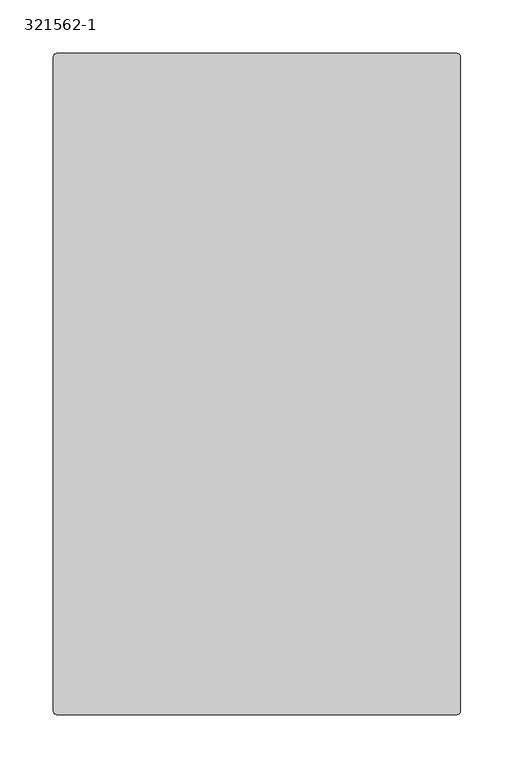
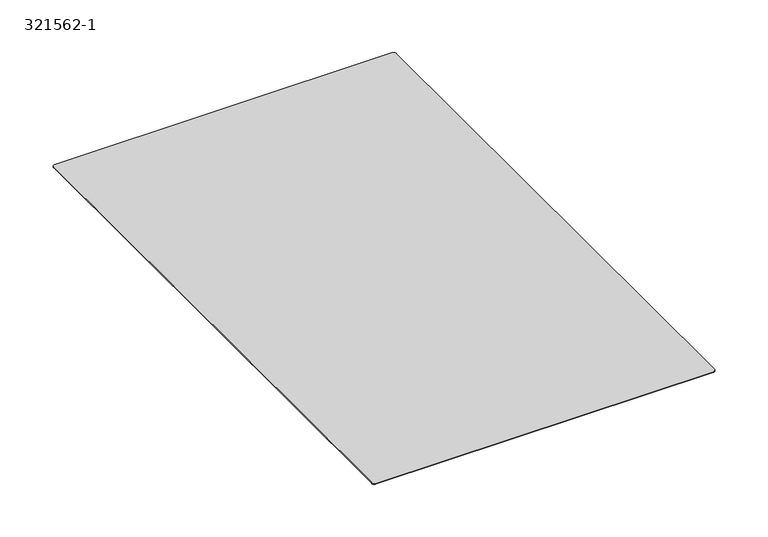
"""IFC4 building model written with IfcOpenShell, lengths in millimetres: proxy geometry, 321562-1."""

from ifc_helpers import new_model, si_unit, point, frame_2d, origin, origin_with_axes, place, context, project, spatial, polyline, circle_curve, trimmed, segment, composite_curve, outline, extrude, source, transform, mapped, element, save


def proxy_321562_1_977be563(model_context):
    return source(origin(), model_context, "Body", "SweptSolid", [
        extrude(outline(composite_curve([segment(polyline([(-187.325, 309.118), (187.325, 309.118)]), True, "CONTINUOUS"), segment(trimmed(circle_curve(frame_2d((187.325, 305.943)), 3.175), [point((187.325, 309.118))], [point((190.5, 305.943))], False, "CARTESIAN"), True, "CONTINUOUS"), segment(polyline([(190.5, 305.943), (190.5, -305.943)]), True, "CONTINUOUS"), segment(trimmed(circle_curve(frame_2d((187.325, -305.943)), 3.175), [point((190.5, -305.943))], [point((187.325, -309.118))], False, "CARTESIAN"), True, "CONTINUOUS"), segment(polyline([(187.325, -309.118), (-187.325, -309.118)]), True, "CONTINUOUS"), segment(trimmed(circle_curve(frame_2d((-187.325, -305.943)), 3.175), [point((-187.325, -309.118))], [point((-190.5, -305.943))], False, "CARTESIAN"), True, "CONTINUOUS"), segment(polyline([(-190.5, -305.943), (-190.5, 305.943)]), True, "CONTINUOUS"), segment(trimmed(circle_curve(frame_2d((-187.325, 305.943)), 3.175), [point((-190.5, 305.943))], [point((-187.325, 309.118))], False, "CARTESIAN"), True, "CONTINUOUS")], self_intersect=False)), origin_with_axes(), (0.0, 0.0, 1.0), 0.91186),
    ])


if __name__ == "__main__":
    model = new_model("IFC4")
    model_context = context("Model", 3, world=origin())
    ifc_project = project(units=[si_unit("LENGTHUNIT", "METRE", prefix="MILLI")], contexts=[model_context])
    site = spatial("IfcSite", under=ifc_project)
    building = spatial("IfcBuilding", under=site)
    placement = place(None, origin())
    proxy_321562_1_shape = proxy_321562_1_977be563(model_context)
    element("IfcBuildingElementProxy", 1, Name="321562-1", ObjectType="321562-1", at=placement, inside=building, context=model_context, shape_type="MappedRepresentation", body=[
        mapped(proxy_321562_1_shape, transform((0.0, 0.0, 0.0), x_axis=(1.0, 0.0, 0.0), y_axis=(0.0, 1.0, 0.0), z_axis=(0.0, 0.0, 1.0))),
    ])
    save(model, "model.ifc")
